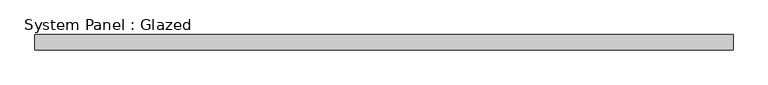
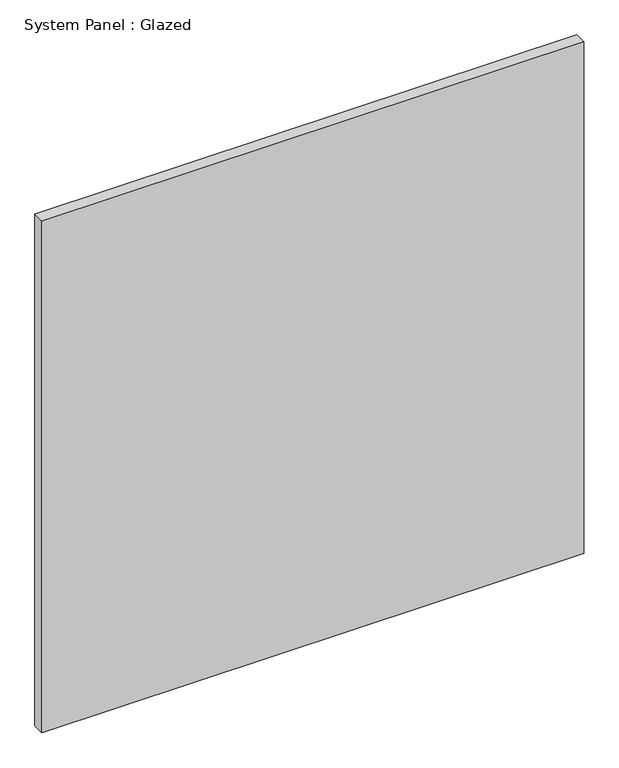
"""IFC4 building model written with IfcOpenShell, lengths in millimetres: plate geometry, System Panel : Glazed."""

from ifc_helpers import new_model, si_unit, origin, origin_with_axes, place, context, project, spatial, polyline, outline, extrude, source, transform, mapped, element, save


def system_panel_glazed_6c2d2169(model_context):
    return source(origin(), model_context, "Body", "SweptSolid", [
        extrude(outline(polyline([(578.6369122, -12.7), (-578.6369122, -12.7), (-578.6369122, 12.7), (578.6369122, 12.7), (578.6369122, -12.7)])), origin_with_axes(), (0.0, 0.0, 1.0), 1155.5872452),
    ])


if __name__ == "__main__":
    model = new_model("IFC4")
    model_context = context("Model", 3, world=origin())
    ifc_project = project(units=[si_unit("LENGTHUNIT", "METRE", prefix="MILLI")], contexts=[model_context])
    site = spatial("IfcSite", under=ifc_project)
    building = spatial("IfcBuilding", under=site)
    placement = place(None, origin())
    system_panel_glazed_shape = system_panel_glazed_6c2d2169(model_context)
    element("IfcPlate", 1, ObjectType="System Panel : Glazed", at=placement, inside=building, context=model_context, shape_type="MappedRepresentation", body=[
        mapped(system_panel_glazed_shape, transform((0.0, 0.0, 0.0), x_axis=(1.0, 0.0, 0.0), y_axis=(0.0, 1.0, 0.0), z_axis=(0.0, 0.0, 1.0))),
    ])
    save(model, "model.ifc")
